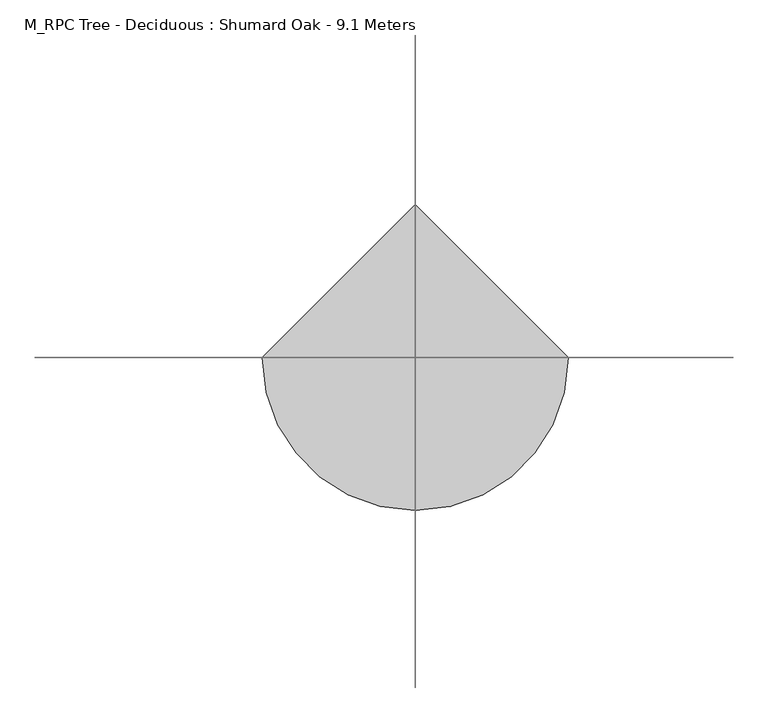
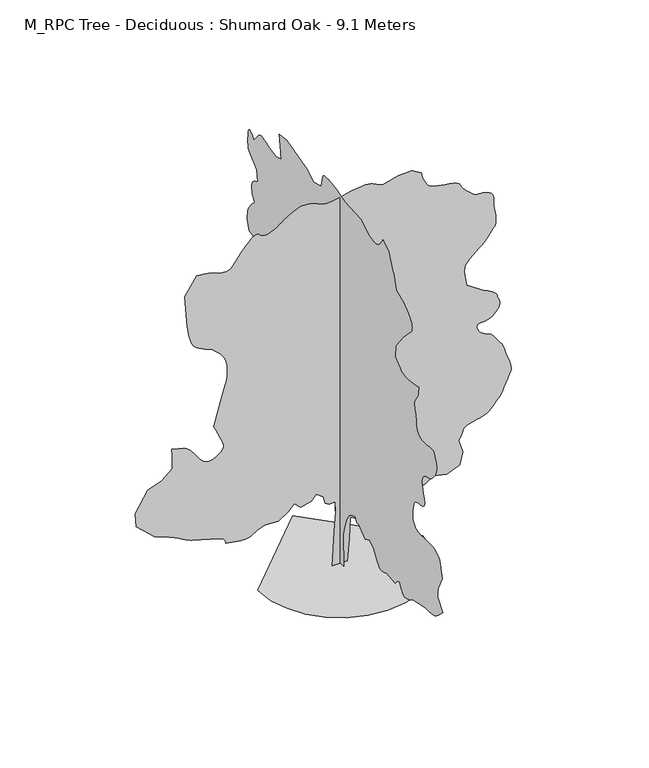
"""IFC4 building model written with IfcOpenShell, lengths in millimetres: geographic element geometry, M_RPC Tree - Deciduous : Shumard Oak - 9.1 Meters."""

from ifc_helpers import new_model, si_unit, origin, place, context, project, spatial, triangles, source, transform, mapped, element, save


def m_rpc_tree_deciduous_shumard_oak_9_1_meters_af7070b5(model_context):
    return source(origin(), model_context, "Body", "Tessellation", [
        triangles([(-0.0016876, 163.832478, 0.0085608), (-0.0016876, -150.8808976, 0.0085608), (-0.0016876, -123.5141451, 779.9515205), (-0.0016876, -178.2471505, 1012.5653744), (-0.0016876, -260.3461545, 1231.4963425), (-0.0016876, -356.128771, 1382.0105564), (-0.0016876, -465.5942914, 1450.4273106), (-0.0016876, -602.4255106, 1505.1588535), (-0.0016876, -657.1595243, 1382.0105564), (-0.0016876, -752.9421953, 1409.3761826), (-0.0016876, -862.4076794, 1299.9107712), (-0.0016876, -1012.9218206, 1204.1281002), (-0.0016876, -1190.8042042, 1286.2278854), (-0.0016876, -1355.0011585, 1176.7623287), (-0.0016876, -1464.4667152, 985.1971321), (-0.0016876, -1490.9552147, 947.379019), (-0.0016876, -1518.0429508, 911.3555637), (-0.0016876, -1546.3262535, 878.9241858), (-0.0016876, -1576.4068302, 851.8769268), (-0.0016876, -1608.8786854, 832.0111336), (-0.0016876, -1644.3435265, 821.1189205), (-0.0016876, -1683.3976833, 821.0001051), (-0.0016876, -1720.8568794, 827.6608177), (-0.0016876, -1751.8549873, 835.7598146), (-0.0016876, -1777.4638893, 845.0544508), (-0.0016876, -1798.7681122, 855.307168), (-0.0016876, -1816.8391022, 866.2777193), (-0.0016876, -1832.7565899, 877.7285465), (-0.0016876, -1847.5972538, 889.4144611), (-0.0016876, -2203.3594048, 848.3658766), (-0.0016876, -2238.4248516, 888.8583904), (-0.0016876, -2272.772319, 925.9965305), (-0.0016876, -2305.6839729, 956.4360243), (-0.0016876, -2336.4419792, 976.8200272), (-0.0016876, -2364.3258877, 983.8017958), (-0.0016876, -2388.6204803, 974.0293545), (-0.0016876, -2408.6076324, 944.1484749), (-0.0016876, -2428.6731228, 901.1838009), (-0.0016876, -2453.5261116, 856.783386), (-0.0016876, -2482.9269333, 814.5365461), (-0.0016876, -2516.6373756, 778.0354311), (-0.0016876, -2554.4225693, 750.8693567), (-0.0016876, -2596.0299133, 736.6278568), (-0.0016876, -2641.2265732, 738.9003199), (-0.0016876, -2686.5496788, 752.2242886), (-0.0016876, -2728.9909836, 768.419739), (-0.0016876, -2769.0309814, 787.0115547), (-0.0016876, -2807.1751648, 807.5169165), (-0.0016876, -2843.8787384, 829.4580917), (-0.0016876, -2879.6213242, 852.3546593), (-0.0016876, -2914.8839973, 875.7315754), (-0.0016876, -3407.4722443, 971.5142464), (-0.0016876, -3468.9225632, 971.6355326), (-0.0016876, -3529.5136322, 972.4722548), (-0.0016876, -3588.4361984, 974.7472612), (-0.0016876, -3644.831012, 979.1733719), (-0.0016876, -3697.8891106, 986.4761238), (-0.0016876, -3746.7762428, 997.3657934), (-0.0016876, -3790.6078697, 1012.5653744), (-0.0016876, -3832.8471519, 1034.5444107), (-0.0016876, -3877.2601387, 1064.4252903), (-0.0016876, -3923.4427849, 1100.8885443), (-0.0016876, -3971.09133, 1142.6145584), (-0.0016876, -4019.8017288, 1188.2915668), (-0.0016876, -4069.2199333, 1236.6024261), (-0.0016876, -4119.0171844, 1286.2278854), (-0.0016876, -3927.4367271, 1505.1588535), (-0.0016876, -3921.7492836, 1546.169577), (-0.0016876, -3916.9969574, 1586.9400536), (-0.0016876, -3914.1657349, 1627.2304722), (-0.0016876, -3914.191024, 1666.8053822), (-0.0016876, -3918.0585205, 1705.4197403), (-0.0016876, -3926.7289215, 1742.8410027), (-0.0016876, -3941.1373444, 1778.8238354), (-0.0016876, -4091.6412392, 2093.5374744), (-0.0016876, -3995.8636551, 2476.6653969), (-0.0016876, -3988.3562645, 2487.236554), (-0.0016876, -3966.0105354, 2514.3244354), (-0.0016876, -3929.0796501, 2550.9846977), (-0.0016876, -3877.7659218, 2590.2916008), (-0.0016876, -3812.3469498, 2625.2760933), (-0.0016876, -3733.0503365, 2649.0121445), (-0.0016876, -3640.1039749, 2654.5478531), (-0.0016876, -3536.5408195, 2650.2507317), (-0.0016876, -3429.8685516, 2648.5569397), (-0.0016876, -3327.0132019, 2648.8098312), (-0.0016876, -3234.9513794, 2650.2507317), (-0.0016876, -3160.5841164, 2652.1465462), (-0.0016876, -3110.8880219, 2653.8400475), (-0.0016876, -3092.7638374, 2654.5478531), (-0.0016876, -3082.1470436, 2661.7773537), (-0.0016876, -3054.7966782, 2682.1511101), (-0.0016876, -3017.3600098, 2713.7991783), (-0.0016876, -2976.5869171, 2754.7490044), (-0.0016876, -2939.1758286, 2803.1559334), (-0.0016876, -2911.8251724, 2857.0482834), (-0.0016876, -2901.2086693, 2914.5299492), (-0.0016876, -2903.2056404, 2971.9613274), (-0.0016876, -2908.7919273, 3027.268998), (-0.0016876, -2917.3611717, 3080.7567215), (-0.0016876, -2928.331723, 3132.8291245), (-0.0016876, -2941.0969322, 3183.8143845), (-0.0016876, -2955.050441, 3234.0665497), (-0.0016876, -2969.6103081, 3283.9649574), (-0.0016876, -2981.5921349, 3298.5756935), (-0.0016876, -2994.9892822, 3312.8070923), (-0.0016876, -3011.2682304, 3326.3306854), (-0.0016876, -3031.8443001, 3338.7927155), (-0.0016876, -3058.1836807, 3349.7885559), (-0.0016876, -3091.7019836, 3359.0147369), (-0.0016876, -3133.8148201, 3366.0672134), (-0.0016876, -3184.7497925, 3370.3899147), (-0.0016876, -3239.7795731, 3375.4201309), (-0.0016876, -3292.8629608, 3386.8961746), (-0.0016876, -3338.0596207, 3410.5816475), (-0.0016876, -3369.3786392, 3452.2392792), (-0.0016876, -3380.8296844, 3517.5823837), (-0.0016876, -3366.4212616, 3612.3742722), (-0.0016876, -3336.9471886, 3719.5267433), (-0.0016876, -3309.8747131, 3817.8067909), (-0.0016876, -3289.2480652, 3906.78479), (-0.0016876, -3279.1370544, 3985.9293777), (-0.0016876, -3283.6617783, 4054.7862213), (-0.0016876, -3306.841468, 4112.8745361), (-0.0016876, -3352.7459335, 4159.6891205), (-0.0016876, -3409.0395905, 4192.4996178), (-0.0016876, -3461.2634377, 4212.5954842), (-0.0016876, -3510.3528831, 4225.7653198), (-0.0016876, -3557.3192024, 4237.7215668), (-0.0016876, -3603.071933, 4254.2534065), (-0.0016876, -3648.5973518, 4281.0477013), (-0.0016876, -3694.8302856, 4323.8936325), (-0.0016876, -3741.9480492, 4378.3926315), (-0.0016876, -3786.8921082, 4436.4809464), (-0.0016876, -3825.8705429, 4498.3861794), (-0.0016876, -3855.0411461, 4564.3612221), (-0.0016876, -3870.5617104, 4634.6589661), (-0.0016876, -3868.5900284, 4709.5064323), (-0.0016876, -3845.3344711, 4789.131514), (-0.0016876, -3817.2507202, 4864.434185), (-0.0016876, -3798.2669952, 4925.8842133), (-0.0016876, -3780.7244614, 4972.9516891), (-0.0016876, -3756.9378319, 5005.1811172), (-0.0016876, -3719.2738518, 5022.091713), (-0.0016876, -3660.0733955, 5023.2038544), (-0.0016876, -3571.677047, 5008.0623367), (-0.0016876, -3466.799437, 4991.303476), (-0.0016876, -3365.9916367, 4987.9414719), (-0.0016876, -3273.3231651, 4998.0019043), (-0.0016876, -3192.8638321, 5021.4597748), (-0.0016876, -3128.6581581, 5058.314502), (-0.0016876, -3084.8265312, 5108.592247), (-0.0016876, -3065.3878922, 5172.2418503), (-0.0016876, -3058.7397514, 5240.2388626), (-0.0016876, -3050.651001, 5303.8884659), (-0.0016876, -3041.3486618, 5363.9737518), (-0.0016876, -3031.0859161, 5421.1778183), (-0.0016876, -3020.1153648, 5476.2325974), (-0.0016876, -3008.6646103, 5529.8467667), (-0.0016876, -2996.9862534, 5582.753421), (-0.0016876, -2985.6110756, 5620.8976044), (-0.0016876, -2976.4101837, 5659.1429443), (-0.0016876, -2971.4808334, 5697.6405945), (-0.0016876, -2973.0481796, 5736.4928741), (-0.0016876, -2983.2097687, 5775.8247757), (-0.0016876, -3004.1651756, 5815.7641983), (-0.0016876, -3038.037236, 5856.4105545), (-0.0016876, -3074.2603157, 5906.2836731), (-0.0016876, -3101.6109718, 5968.8211349), (-0.0016876, -3121.3277916, 6036.6414139), (-0.0016876, -3134.573204, 6102.3129868), (-0.0016876, -3142.5610886, 6158.4043304), (-0.0016876, -3146.4538742, 6197.4839218), (-0.0016876, -3147.4901482, 6212.1702347), (-0.0016876, -3127.3184143, 6207.6710907), (-0.0016876, -3073.1481743, 6196.2200455), (-0.0016876, -2994.5596573, 6180.9523727), (-0.0016876, -2901.1328018, 6164.9516052), (-0.0016876, -2802.4231293, 6151.3518539), (-0.0016876, -2708.0355766, 6143.2378143), (-0.0016876, -2627.525956, 6143.7685959), (-0.0016876, -2559.5539421, 6155.5986877), (-0.0016876, -2495.8918396, 6178.2223068), (-0.0016876, -2435.8141113, 6209.8197968), (-0.0016876, -2378.6078648, 6248.5959183), (-0.0016876, -2323.5554111, 6292.7560135), (-0.0016876, -2269.9410965, 6340.5060059), (-0.0016876, -2217.0422905, 6390.0500748), (-0.0016876, -2230.7251762, 6677.4081161), (-0.0016876, -2531.7483719, 7060.5440323), (-0.0016876, -2873.832724, 7416.3037125), (-0.0016876, -2879.1916992, 7460.4132294), (-0.0016876, -2881.4159821, 7505.3825775), (-0.0016876, -2877.4223305, 7552.0198471), (-0.0016876, -2864.1007599, 7601.1598709), (-0.0016876, -2838.3427391, 7653.6618988), (-0.0016876, -2797.0135757, 7710.3346024), (-0.0016876, -2737.0041573, 7772.0633926), (-0.0016876, -2666.6305458, 7831.390004), (-0.0016876, -2596.257225, 7881.3642792), (-0.0016876, -2525.8914619, 7923.5785629), (-0.0016876, -2455.5207573, 7959.5484604), (-0.0016876, -2385.149762, 7990.8680603), (-0.0016876, -2314.778912, 8019.0779663), (-0.0016876, -2244.408062, 8045.7205261), (-0.0016876, -2223.8648392, 8115.8918243), (-0.0016876, -2203.2001122, 8184.874823), (-0.0016876, -2182.2954288, 8251.4568054), (-0.0016876, -2161.0317558, 8314.4488907), (-0.0016876, -2139.2903503, 8372.6383621), (-0.0016876, -2116.9523243, 8424.8625), (-0.0016876, -2093.8939934, 8469.9074249), (-0.0016876, -2068.3228798, 8519.0224503), (-0.0016876, -2040.1179153, 8579.6129379), (-0.0016876, -2011.6753201, 8644.7537292), (-0.0016876, -1985.3865177, 8707.4935043), (-0.0016876, -1963.6449669, 8760.9309402), (-0.0016876, -1948.8448528, 8798.0635574), (-0.0016876, -1943.3773087, 8811.991777), (-0.0016876, -1710.7634548, 8948.8206345), (-0.0016876, -1698.8372932, 8925.2366089), (-0.0016876, -1685.7130943, 8900.944487), (-0.0016876, -1670.1925301, 8875.2117554), (-0.0016876, -1651.0851208, 8847.3303177), (-0.0016876, -1627.1899223, 8816.5670792), (-0.0016876, -1597.3090427, 8782.2145248), (-0.0016876, -1560.2492409, 8743.5645584), (-0.0016876, -1515.6086517, 8710.0968338), (-0.0016876, -1464.5071198, 8690.2794388), (-0.0016876, -1408.0188526, 8681.811351), (-0.0016876, -1347.2231449, 8682.4432892), (-0.0016876, -1283.194495, 8689.8998108), (-0.0016876, -1217.0121975, 8701.9072174), (-0.0016876, -1149.7530035, 8716.1889038), (-0.0016876, -848.7222502, 8921.4449799), (-0.0016876, -191.9302724, 8962.4959625), (-0.0016876, -107.0787747, 8985.8270966), (-0.0016876, -23.3040554, 9008.4507156), (-0.0016876, 58.316385, 9029.633725), (-0.0016876, 136.7053639, 9048.6680283), (-0.0016876, 210.7859892, 9064.8205307), (-0.0016876, 279.4814328, 9077.3837173), (-0.0016876, 341.7128632, 9085.6494919), (-0.0016876, 403.0696558, 9091.9432938), (-0.0016876, 467.2954594, 9097.5295807), (-0.0016876, 530.565798, 9100.0073364), (-0.0016876, 589.0485291, 9096.9738007), (-0.0016876, 638.9140537, 9086.053537), (-0.0016876, 676.3327726, 9064.8205307), (-0.0016876, 697.4776302, 9030.9225998), (-0.0016876, 765.8919863, 8757.2398865), (-0.0016876, 1066.9227396, 8675.1629196), (-0.0016876, 1340.5877941, 8839.3424332), (-0.0016876, 1682.6672047, 8921.4449799), (-0.0016876, 2134.2120266, 9058.2732559), (-0.0016876, 2435.2427799, 9017.2222733), (-0.0016876, 2407.8745377, 8757.2398865), (-0.0016876, 2353.1429947, 8456.2320969), (-0.0016876, 2572.0665504, 8387.8048782), (-0.0016876, 2790.9973732, 8428.8564423), (-0.0016876, 2875.6526711, 8460.6556641), (-0.0016876, 2958.0331078, 8489.6998215), (-0.0016876, 3035.8635315, 8513.2332687), (-0.0016876, 3106.8687904, 8528.5015228), (-0.0016876, 3168.7993126, 8532.7733551), (-0.0016876, 3219.3296585, 8523.2687027), (-0.0016876, 3256.2352547, 8497.2580811), (-0.0016876, 3461.49104, 8250.9766022), (-0.0016876, 3508.1286003, 8305.5005997), (-0.0016876, 3553.0723686, 8352.9721207), (-0.0016876, 3594.6797127, 8386.33927), (-0.0016876, 3631.2568405, 8398.4978302), (-0.0016876, 3661.1349586, 8382.4209045), (-0.0016876, 3682.6464363, 8331.0310181), (-0.0016876, 3694.0971909, 8237.2756943), (-0.0016876, 3697.5603516, 8133.1564682), (-0.0016876, 3696.7261002, 8052.7480042), (-0.0016876, 3692.302533, 7992.0557785), (-0.0016876, 3684.9971649, 7947.187587), (-0.0016876, 3675.5433815, 7914.1494873), (-0.0016876, 3664.6486977, 7889.0236954), (-0.0016876, 3653.0462082, 7867.840686), (-0.0016876, 3338.3375107, 7607.8588806), (-0.0016876, 3310.9618561, 7320.5258377), (-0.0016876, 3354.7176155, 7302.679834), (-0.0016876, 3397.1842094, 7283.418219), (-0.0016876, 3436.9968956, 7261.2748032), (-0.0016876, 3472.840638, 7234.8339752), (-0.0016876, 3503.4521416, 7202.630127), (-0.0016876, 3527.4660828, 7163.2476471), (-0.0016876, 3543.5680069, 7115.270343), (-0.0016876, 3549.7359444, 7062.4904251), (-0.0016876, 3545.8178696, 7009.7099258), (-0.0016876, 3533.5328636, 6956.9300079), (-0.0016876, 3514.5491386, 6904.15009), (-0.0016876, 3490.5351974, 6851.3701721), (-0.0016876, 3463.1592522, 6798.5902542), (-0.0016876, 3434.1150948, 6745.8097549), (-0.0016876, 3477.9217232, 6701.8263931), (-0.0016876, 3520.6412086, 6657.6912964), (-0.0016876, 3561.2119881, 6613.3288879), (-0.0016876, 3598.5472092, 6568.6124313), (-0.0016876, 3631.5853088, 6523.4157715), (-0.0016876, 3659.2391441, 6477.6127533), (-0.0016876, 3680.4221535, 6431.1016388), (-0.0016876, 3695.6139587, 6385.7782425), (-0.0016876, 3706.5086426, 6343.336647), (-0.0016876, 3713.8140106, 6303.2966492), (-0.0016876, 3718.2375778, 6265.1524658), (-0.0016876, 3720.5127296, 6228.4494736), (-0.0016876, 3721.3466904, 6192.7063065), (-0.0016876, 3721.4731361, 6157.443924), (-0.0016876, 3639.3708801, 5924.8377731), (-0.0016876, 3601.2772751, 5918.7207047), (-0.0016876, 3563.2848267, 5911.1874435), (-0.0016876, 3525.5449791, 5900.772963), (-0.0016876, 3488.1591797, 5886.0616516), (-0.0016876, 3451.2788727, 5865.5867386), (-0.0016876, 3414.9546364, 5837.9326126), (-0.0016876, 3379.388784, 5801.6842438), (-0.0016876, 3346.9826225, 5758.63629), (-0.0016876, 3319.6319664, 5711.998439), (-0.0016876, 3296.4522766, 5662.378212), (-0.0016876, 3276.6093018, 5610.3563873), (-0.0016876, 3259.2937889, 5556.5399048), (-0.0016876, 3243.6723587, 5501.535704), (-0.0016876, 3228.8593094, 5445.9245636), (-0.0016876, 3196.8324852, 5401.9156219), (-0.0016876, 3166.119825, 5357.806105), (-0.0016876, 3138.0363647, 5313.4436966), (-0.0016876, 3113.8959778, 5268.7016602), (-0.0016876, 3095.0386986, 5223.5050003), (-0.0016876, 3082.7284035, 5177.7269806), (-0.0016876, 3078.3554146, 5131.2158661), (-0.0016876, 3092.0307426, 4761.7555687), (-0.0016876, 3124.0575668, 4758.5200104), (-0.0016876, 3154.7955162, 4753.4897942), (-0.0016876, 3182.8792671, 4744.8952606), (-0.0016876, 3206.9940742, 4730.8914642), (-0.0016876, 3225.8766426, 4709.7087456), (-0.0016876, 3238.1616486, 4679.5268669), (-0.0016876, 3242.5599266, 4638.60233), (-0.0016876, 3241.3466286, 4591.3075424), (-0.0016876, 3238.0099136, 4543.2543709), (-0.0016876, 3232.8532516, 4494.6451286), (-0.0016876, 3226.2809784, 4445.530394), (-0.0016876, 3218.6218529, 4396.0616112), (-0.0016876, 3210.2296326, 4346.3655167), (-0.0016876, 3201.5089439, 4296.5176872), (-0.0016876, 3187.8083267, 4022.8602631), (-0.0016876, 3447.7904228, 4036.5608803), (-0.0016876, 3735.1484642, 4091.2874817), (-0.0016876, 3796.2953133, 4070.5849663), (-0.0016876, 3854.9399895, 4048.7953079), (-0.0016876, 3908.5541588, 4024.8572342), (-0.0016876, 3954.6356483, 3997.6836021), (-0.0016876, 3990.6564148, 3966.2128487), (-0.0016876, 4014.1142853, 3929.3578308), (-0.0016876, 4022.4812164, 3886.0316963), (-0.0016876, 4020.1051987, 3831.1536507), (-0.0016876, 4013.4064796, 3761.8924713), (-0.0016876, 4003.0931557, 3680.6747543), (-0.0016876, 3989.9486092, 3589.8768082), (-0.0016876, 3974.6303581, 3491.9002304), (-0.0016876, 3957.8712067, 3389.1207481), (-0.0016876, 3940.4042496, 3283.9649574), (-0.0016876, 3817.2507202, 2955.5812225), (-0.0016876, 3749.986512, 2917.841375), (-0.0016876, 3683.809156, 2882.3766792), (-0.0016876, 3619.7805061, 2851.4619965), (-0.0016876, 3558.9874146, 2827.3721878), (-0.0016876, 3502.4917351, 2812.3571159), (-0.0016876, 3451.3800293, 2808.742511), (-0.0016876, 3406.7394402, 2818.7523651), (-0.0016876, 3023.6291039, 2982.9318787), (-0.0016876, 2640.4934784, 2859.8036385), (-0.0016876, 2366.8258804, 2668.2231812), (-0.0016876, 2093.1633694, 2257.7344288), (-0.0016876, 2066.6748699, 2216.9235477), (-0.0016876, 2039.5871338, 2177.5508057), (-0.0016876, 2011.301215, 2141.0496906), (-0.0016876, 1981.2232544, 2108.8558708), (-0.0016876, 1948.7513992, 2082.4076305), (-0.0016876, 1913.2865582, 2063.1384579), (-0.0016876, 1874.2324013, 2052.4863464), (-0.0016876, 1835.2565826, 2048.9374352), (-0.0016876, 1798.6745132, 2049.2154705), (-0.0016876, 1761.8523422, 2052.1273567), (-0.0016876, 1722.1611603, 2056.4752018), (-0.0016876, 1676.9618843, 2061.0631485), (-0.0016876, 1623.6257504, 2064.6930141), (-0.0016876, 1559.5187622, 2066.1692322), (-0.0016876, 1490.742873, 2060.9848103), (-0.0016876, 1424.841227, 2046.4627316), (-0.0016876, 1361.330714, 2024.1626392), (-0.0016876, 1299.7363632, 1995.6390896), (-0.0016876, 1239.5776806, 1962.4494003), (-0.0016876, 1180.377079, 1926.1479824), (-0.0016876, 1121.6567533, 1888.2893921), (-0.0016876, 1039.5569681, 1655.6755383), (-0.0016876, 806.9431143, 1395.6932968), (-0.0016876, 774.8277054, 1360.9060307), (-0.0016876, 737.6895653, 1326.8392147), (-0.0016876, 696.3603292, 1293.368874), (-0.0016876, 651.6793356, 1260.3787365), (-0.0016876, 604.4856683, 1227.745118), (-0.0016876, 555.6186293, 1195.3541445), (-0.0016876, 505.912361, 1163.0795156), (-0.0016876, 423.8126121, 1450.4273106), (-0.0016876, 286.9813565, 1641.9900364), (-0.0016876, 232.2486145, 1518.8417393), (-0.0016876, 191.1987401, 1327.2790134), (-0.0016876, 177.5158543, 985.1971321), (-0.0016876, 150.1493561, 506.286466), (169.54274, 0.0004339, 0.0216695), (-186.21952, 0.0004339, 0.0216695), (-131.4872685, 0.0003851, 821.0127497), (-104.1207612, 0.0003564, 1299.9234158), (-117.8038922, 0.0003417, 1546.2226261), (-254.6358926, 0.0003425, 1532.5397404), (-350.4185091, 0.0003394, 1587.2712833), (-391.46713, 0.0003287, 1765.1535942), (-555.6666641, 0.0003221, 1874.6191509), (-665.1321482, 0.0003294, 1751.4707085), (-911.4288877, 0.0003336, 1683.0539543), (-1061.9455725, 0.0003255, 1819.8851372), (-1212.4596411, 0.0003344, 1669.3710686), (-1431.3906818, 0.0003425, 1532.5397404), (-1759.7872066, 0.0003417, 1546.2226261), (-1923.984161, 0.0003459, 1477.8057266), (-1959.2517757, 0.0003475, 1451.5952625), (-1994.9945068, 0.000349, 1426.464093), (-2031.695319, 0.0003503, 1403.4865711), (-2069.8345608, 0.0003514, 1383.7395206), (-2109.8872032, 0.0003524, 1368.2997654), (-2152.3311241, 0.000353, 1358.2468906), (-2197.6491428, 0.0003532, 1354.6574295), (-2248.1541996, 0.0003532, 1356.2523903), (-2305.1201992, 0.000353, 1360.7215942), (-2367.4704632, 0.0003524, 1367.5819313), (-2434.1331093, 0.0003519, 1376.3584305), (-2504.0236107, 0.0003514, 1386.5705978), (-2576.060202, 0.0003506, 1397.7408463), (-2649.1888779, 0.0003501, 1409.3914433), (-2652.5761711, 0.0003483, 1438.632827), (-2658.7188194, 0.0003464, 1467.3938622), (-2670.3718872, 0.0003449, 1495.1994324), (-2690.2907295, 0.0003433, 1521.5691891), (-2721.2054123, 0.0003417, 1546.022929), (-2765.8712906, 0.0003404, 1568.0829197), (-2827.068718, 0.0003394, 1587.2712833), (-3429.1354568, 0.0003287, 1765.1535942), (-3478.2754807, 0.0003279, 1780.7500259), (-3530.7775085, 0.0003266, 1802.8124874), (-3584.9477486, 0.000325, 1829.419875), (-3639.1179886, 0.0003232, 1858.6612587), (-3691.6200165, 0.0003213, 1888.6204765), (-3740.7853294, 0.0003198, 1917.3841278), (-3784.895137, 0.0003182, 1943.0335796), (-3832.3416595, 0.0003166, 1967.6868713), (-3891.2642258, 0.0003151, 1994.4965721), (-3959.741732, 0.0003132, 2023.09846), (-4035.903653, 0.0003117, 2053.1384869), (-4117.8038864, 0.0003098, 2084.2554829), (-4203.5207474, 0.0003078, 2116.0878422), (-4291.1842918, 0.0003059, 2148.281662), (-4715.3456108, 0.0002822, 2545.0949409), (-4742.7215561, 0.0002626, 2873.4789665), (-4455.3635147, 0.0002349, 3338.716848), (-4126.9794891, 0.0002276, 3461.8700867), (-3880.6727211, 0.0002153, 3667.125872), (-3880.6727211, 0.0001967, 3981.8345695), (-3894.3733383, 0.0001868, 4146.0390816), (-3607.0152969, 0.000191, 4077.6121536), (-3574.6597137, 0.0001923, 4056.7579033), (-3541.7227707, 0.0001936, 4033.8561035), (-3507.5725296, 0.0001952, 4006.8847847), (-3471.6273399, 0.000197, 3973.8213959), (-3433.281134, 0.0001996, 3932.5933891), (-3391.95168, 0.0002027, 3881.2287918), (-3347.0332008, 0.0002064, 3817.6297668), (-3301.507782, 0.0002103, 3750.8207634), (-3257.6761551, 0.000214, 3691.8981972), (-3213.8445282, 0.0002168, 3642.0756569), (-3168.3191093, 0.0002192, 3602.5411514), (-3119.4572662, 0.000221, 3574.4826897), (-3065.5649162, 0.0002218, 3559.1391495), (-3004.9488487, 0.0002218, 3557.6476707), (-2938.6956253, 0.000221, 3572.8144775), (-2871.9621986, 0.0002192, 3603.5268471), (-2809.2732925, 0.0002166, 3645.2606369), (-2755.2294983, 0.0002137, 3693.4399635), (-2714.3299599, 0.0002108, 3743.5406845), (-2691.1502701, 0.000208, 3791.0124962), (-2690.2401512, 0.0002056, 3831.3050949), (-2706.3673645, 0.000203, 3874.8841209), (-2730.3813057, 0.0001996, 3933.5285065), (-2760.9675201, 0.0001952, 4004.7360786), (-2796.8365517, 0.0001905, 4085.9790848), (-2836.6492378, 0.0001852, 4174.7797691), (-2879.0905426, 0.0001795, 4268.6109604), (-2922.846302, 0.0001737, 4364.970195), (-2731.2914246, 0.0001322, 5062.7886475), (-2705.078199, 0.0001275, 5141.7820816), (-2679.9521164, 0.0001228, 5219.6883728), (-2656.9744492, 0.0001183, 5295.4459579), (-2637.2326309, 0.0001139, 5367.9932739), (-2621.7879341, 0.00011, 5436.1925995), (-2611.727211, 0.0001061, 5499.0329498), (-2608.1378952, 0.0001029, 5555.4027649), (-2609.0730125, 9.95e-05, 5610.4069656), (-2612.1318375, 9.61e-05, 5668.7737518), (-2617.8445702, 9.25e-05, 5728.8084595), (-2626.6664154, 8.88e-05, 5788.8431671), (-2639.052578, 8.54e-05, 5847.2093719), (-2655.5338394, 8.2e-05, 5902.2141541), (-2676.5648232, 7.92e-05, 5952.2134277), (-2703.6120094, 7.63e-05, 5998.7245422), (-2737.1303123, 7.37e-05, 6044.5281418), (-2776.0075905, 7.11e-05, 6089.7248016), (-2819.2075699, 6.82e-05, 6134.4412582), (-2865.6428169, 6.56e-05, 6178.8036667), (-2914.2520592, 6.3e-05, 6222.9131836), (-2963.8975754, 6.03e-05, 6266.9221252), (-3042.7389839, 5.85e-05, 6299.2271301), (-3119.532843, 5.64e-05, 6331.9111816), (-3192.2571831, 5.46e-05, 6365.3033295), (-3258.864164, 5.25e-05, 6399.7570404), (-3317.3571053, 5.04e-05, 6435.6769409), (-3365.6628777, 4.81e-05, 6473.3659195), (-3401.7595116, 4.57e-05, 6513.229184), (-3430.1717308, 4.26e-05, 6566.36315), (-3456.4355347, 3.84e-05, 6638.4046829), (-3480.0448494, 3.34e-05, 6721.4676361), (-3500.5453423, 2.82e-05, 6807.6397018), (-3517.455938, 2.33e-05, 6889.0085724), (-3530.2973053, 1.93e-05, 6957.713681), (-3538.6136581, 1.65e-05, 7005.8171402), (-3593.3399689, -2.93e-05, 7772.0633926), (-3319.6572556, -5.46e-05, 8196.2497101), (-3246.5538689, -5.41e-05, 8187.3519974), (-3174.5120453, -5.36e-05, 8177.8729248), (-3104.6192184, -5.28e-05, 8167.1805542), (-3037.9363701, -5.2e-05, 8154.6935257), (-2975.6012215, -5.12e-05, 8139.8048996), (-2918.6250481, -5.02e-05, 8121.933316), (-2868.1199913, -4.89e-05, 8100.4724167), (-2816.7806831, -4.75e-05, 8079.7190323), (-2758.970549, -4.68e-05, 8065.2100342), (-2698.3039032, -4.62e-05, 8058.1069794), (-2638.3447723, -4.65e-05, 8059.6237473), (-2582.6830536, -4.7e-05, 8070.948056), (-2534.9333519, -4.83e-05, 8093.2937851), (-2498.6774254, -5.04e-05, 8127.8230728), (-2279.7464573, -6.77e-05, 8415.1811142), (-2221.2636898, -7.16e-05, 8482.1165634), (-2163.7390034, -7.55e-05, 8546.0696365), (-2108.1303337, -7.89e-05, 8604.0312149), (-2055.3908203, -8.18e-05, 8653.0195038), (-2006.4833405, -8.41e-05, 8690.0515457), (-1962.3608883, -8.54e-05, 8712.0938049), (-1923.984161, -8.57e-05, 8716.2144836), (-1893.1072666, -8.49e-05, 8705.9261581), (-1867.9760971, -8.39e-05, 8689.1672974), (-1844.2807411, -8.28e-05, 8669.5260544), (-1817.7112873, -8.18e-05, 8650.6184875), (-1783.9629112, -8.07e-05, 8636.0333313), (-1738.7232307, -8.05e-05, 8629.3343216), (-1677.6874214, -8.07e-05, 8634.111937), (-1604.7635296, -8.2e-05, 8654.8653214), (-1529.9260918, -8.39e-05, 8689.4957657), (-1457.9576649, -8.65e-05, 8731.7600464), (-1393.6509796, -8.91e-05, 8775.4905167), (-1341.7909184, -9.14e-05, 8814.4183731), (-1307.1629448, -9.3e-05, 8842.3503891), (-1294.5568829, -9.38e-05, 8853.0427597), (-1279.1197437, -9.43e-05, 8862.9264587), (-1238.0710865, -9.59e-05, 8888.6341919), (-1179.3078129, -9.8e-05, 8924.1238861), (-1110.7316935, -0.0001003, 8963.456369), (-1040.242028, -0.0001024, 9000.6401459), (-975.7356457, -0.0001042, 9029.6843033), (-925.1117735, -0.000105, 9044.5979279), (-877.0814203, -0.0001053, 9047.9093536), (-817.3222046, -0.0001053, 9045.9629608), (-749.1858839, -0.0001048, 9038.5064392), (-676.0218178, -0.000104, 9025.3113144), (-601.18438, -0.0001029, 9006.1252762), (-528.0203138, -0.0001014, 8980.6960144), (-459.8840295, -9.95e-05, 8948.8206345), (-387.3999364, -9.8e-05, 8922.8094315), (-300.5530027, -9.74e-05, 8913.3303589), (-201.7383039, -9.74e-05, 8917.6021912), (-93.349898, -9.85e-05, 8932.8704453), (22.2192084, -9.98e-05, 8956.4038925), (142.5753726, -0.0001016, 8985.4480499), (265.3258651, -0.0001035, 9017.2472717), (350.0570486, -0.0001042, 9028.7238968), (432.9935197, -0.0001048, 9038.7843292), (512.3404933, -0.0001053, 9045.9629608), (586.3008044, -0.0001053, 9048.8447617), (653.0822296, -0.0001053, 9045.9629608), (710.8874949, -0.0001045, 9035.9025284), (757.9193624, -0.0001035, 9017.2472717), (797.3729862, -0.0001022, 8995.3823273), (833.9549829, -0.0001011, 8976.3986023), (868.1432304, -0.0001001, 8959.7908951), (900.4153885, -9.93e-05, 8945.1045822), (931.2542765, -9.85e-05, 8931.8844589), (961.1326126, -9.77e-05, 8919.5741638), (990.5332163, -9.69e-05, 8907.7696518), (1346.2954399, -0.0001027, 9003.5469452), (1661.009079, -0.0001035, 9017.2472717), (1879.9426632, -9.61e-05, 8894.0943237), (1883.0923256, -9.43e-05, 8861.7131607), (1887.5613842, -9.22e-05, 8828.4727478), (1894.6619682, -9.01e-05, 8793.5644135), (1905.7133286, -8.8e-05, 8756.1533249), (1922.0275944, -8.54e-05, 8715.3802322), (1944.926778, -8.28e-05, 8670.4108841), (1975.722718, -7.99e-05, 8620.4366089), (2006.6804214, -7.71e-05, 8574.6835876), (2032.3702778, -7.52e-05, 8540.8873947), (2057.5824017, -7.37e-05, 8515.9633347), (2087.1042915, -7.24e-05, 8496.752298), (2125.7186497, -7.16e-05, 8480.1957504), (2178.2180614, -7.05e-05, 8463.1834167), (2249.3878452, -6.92e-05, 8442.5567688), (2337.1118511, -6.82e-05, 8422.6882141), (2431.7771484, -6.71e-05, 8407.5978561), (2526.9201782, -6.64e-05, 8393.7202148), (2616.0752014, -6.53e-05, 8377.440976), (2692.7931931, -6.4e-05, 8355.171405), (2750.6036179, -6.22e-05, 8323.3466034), (2783.0350685, -5.96e-05, 8278.3522568), (2806.9984314, -5.64e-05, 8225.976384), (2842.4631271, -5.33e-05, 8174.3086075), (2887.5080521, -5.02e-05, 8123.2477707), (2940.2123932, -4.73e-05, 8072.6665558), (2998.6544655, -4.42e-05, 8022.4399704), (3060.9137466, -4.13e-05, 7972.4656952), (3125.1194206, -3.81e-05, 7922.5925766), (3215.3862946, -3.76e-05, 7913.3408157), (3301.9626961, -3.71e-05, 7901.3339905), (3381.1075745, -3.61e-05, 7883.8164551), (3449.1301666, -3.45e-05, 7858.0331451), (3502.2894218, -3.21e-05, 7821.2539948), (3536.9198662, -2.93e-05, 7770.7233582), (3549.2807396, -2.53e-05, 7703.6617538), (3550.0897018, -2.12e-05, 7633.7939255), (3552.3142754, -1.75e-05, 7575.4527191), (3555.7518562, -1.46e-05, 7526.6411636), (3560.1501343, -1.23e-05, 7485.5140228), (3565.2565086, -1.02e-05, 7450.1504837), (3570.8427956, -8.1e-06, 7418.5785736), (3576.6566849, -6.5e-06, 7388.9530563), (3588.1074394, -2.4e-06, 7318.807338), (3597.8899818, 1.8e-06, 7250.1272278), (3604.3105202, 5.7e-06, 7184.30392), (3605.7008423, 9.4e-06, 7122.7780243), (3600.3924454, 1.28e-05, 7067.0151489), (3586.7171173, 1.57e-05, 7018.4309052), (3562.9813568, 1.8e-05, 6978.4414856), (3532.6986122, 2.04e-05, 6940.1205688), (3500.01427, 2.3e-05, 6896.2633621), (3464.2463951, 2.59e-05, 6848.1093246), (3424.6360222, 2.87e-05, 6796.8455933), (3380.4756363, 3.19e-05, 6743.6866287), (3331.0324333, 3.53e-05, 6689.7945694), (3275.6233154, 3.84e-05, 6636.3571335), (3211.2914864, 4.18e-05, 6581.2767746), (3139.5025543, 4.52e-05, 6522.3542084), (3066.298011, 4.89e-05, 6460.8027328), (2997.6434807, 5.25e-05, 6397.8106476), (2939.5298767, 5.64e-05, 6334.5906693), (2897.9225327, 6.01e-05, 6272.3060989), (2878.8126526, 6.37e-05, 6212.1958145), (2875.7538277, 6.71e-05, 6152.7424667), (2877.7002205, 7.08e-05, 6091.8735077), (2883.8428688, 7.45e-05, 6029.7912506), (2893.3472305, 7.84e-05, 5966.7735855), (2905.3540558, 8.2e-05, 5903.0228256), (2919.0293839, 8.6e-05, 5838.7918625), (2933.5389633, 8.99e-05, 5774.3335876), (3344.0502434, 0.0001061, 5500.6508743), (3359.950145, 0.0001066, 5493.5733994), (3401.0011276, 0.0001076, 5474.0083145), (3457.1433403, 0.0001095, 5444.6606873), (3518.2901894, 0.0001116, 5408.1088486), (3574.4321114, 0.0001142, 5367.0322861), (3615.4833847, 0.0001165, 5324.0099121), (3631.3829956, 0.0001191, 5281.7200516), (3639.9269508, 0.0001215, 5241.8062088), (3659.4667465, 0.0001238, 5201.8673676), (3680.9276459, 0.0001264, 5158.5915207), (3695.209623, 0.0001296, 5108.592247), (3693.2126518, 0.000133, 5048.5575394), (3665.8619957, 0.0001374, 4975.1253937), (3604.0326302, 0.0001429, 4884.9088074), (3518.7451035, 0.0001473, 4808.1658173), (3431.0565605, 0.0001497, 4768.504866), (3346.9573334, 0.0001507, 4752.8072777), (3272.4383354, 0.000151, 4747.8529289), (3213.4651909, 0.0001515, 4740.4969826), (3176.0541023, 0.0001528, 4717.620472), (3166.1704033, 0.000156, 4665.9779846), (3180.4018021, 0.0001596, 4601.5955772), (3209.7241402, 0.0001628, 4547.9814079), (3251.6093742, 0.0001656, 4503.3408188), (3303.5553314, 0.0001677, 4465.8791519), (3363.0339684, 0.0001696, 4433.8014587), (3427.5428215, 0.0001714, 4405.3386612), (3494.5544289, 0.000173, 4378.6452324), (3561.5404564, 0.0001779, 4293.9140671), (3625.7714195, 0.0001829, 4210.9778503), (3684.4916725, 0.0001876, 4131.6306587), (3734.946151, 0.000192, 4057.6677315), (3774.404789, 0.0001962, 3990.8840172), (3800.087233, 0.0001996, 3933.0735924), (3809.2628357, 0.0002022, 3886.0569855), (3820.4357002, 0.0002056, 3829.7886177), (3848.3677162, 0.0002106, 3749.379863), (3884.6666634, 0.0002161, 3654.1077713), (3920.9656105, 0.0002221, 3553.3505493), (3948.8976265, 0.0002278, 3456.4102455), (3960.0702003, 0.000233, 3372.6394867), (3946.0916931, 0.0002367, 3311.3409027), (3913.6602425, 0.0002401, 3250.8259918), (3875.9709732, 0.0002451, 3169.026915), (3834.4394966, 0.0002508, 3074.7408096), (3790.5320023, 0.0002566, 2976.890387), (3745.6388123, 0.000262, 2884.2977829), (3701.250824, 0.0002667, 2805.835421), (3658.7589409, 0.0002701, 2750.3507263), (3617.5562233, 0.0002727, 2706.3926537), (3575.3928085, 0.0002756, 2658.3394821), (3531.3082901, 0.0002785, 2608.87099), (3484.3422615, 0.0002814, 2560.6155052), (3433.559024, 0.000284, 2516.1722878), (3377.9984619, 0.0002863, 2478.1949547), (3316.6745888, 0.0002879, 2449.3124153), (3244.2031403, 0.0002892, 2427.8894497), (3160.685273, 0.0002905, 2408.6227478), (3073.6030884, 0.0002916, 2388.6355957), (2990.3634018, 0.0002929, 2365.0589825), (2918.3468674, 0.0002947, 2335.0214264), (2865.0108788, 0.000297, 2295.6462135), (2837.7613792, 0.0003002, 2244.064333), (2823.176223, 0.0003033, 2192.3635643), (2804.7232796, 0.0003057, 2152.1516293), (2785.3352188, 0.0003075, 2119.8390667), (2767.8682617, 0.0003093, 2091.8337994), (2755.17892, 0.0003109, 2064.5463661), (2750.1484131, 0.0003127, 2034.3874512), (2755.6591232, 0.0003148, 1997.7675934), (2837.7613792, 0.0003305, 1737.7879681), (2769.3597404, 0.0003483, 1436.7572147), (2468.3188133, 0.0003556, 1313.6087723), (2167.28806, 0.0003516, 1382.0230556), (1866.2573067, 0.0003629, 1190.4604025), (1647.3261932, 0.0003556, 1313.6087723), (1332.6125542, 0.0003475, 1450.4399551), (1311.9885223, 0.0003483, 1438.4305138), (1290.7652538, 0.000349, 1424.747628), (1268.3462734, 0.0003501, 1407.7155281), (1244.1301643, 0.0003514, 1385.6530666), (1217.5227768, 0.000353, 1356.8918861), (1187.922476, 0.0003553, 1319.7512753), (1154.7327868, 0.0003582, 1272.5576443), (1119.9454479, 0.0003611, 1222.9701187), (1085.8785593, 0.0003637, 1179.1283907), (1052.4082186, 0.000366, 1140.0741611), (1019.415683, 0.0003681, 1104.849567), (986.7845352, 0.0003699, 1072.4965273), (954.3910183, 0.0003718, 1042.0595043), (922.1188602, 0.0003736, 1012.578019), (963.1675175, 0.0003908, 725.2301514), (939.5909042, 0.0003914, 716.5724676), (915.2963842, 0.0003916, 708.7540495), (889.5661234, 0.0003921, 702.6115465), (861.6796715, 0.0003924, 698.9816809), (830.9242086, 0.0003924, 698.7035728), (796.5766685, 0.0003921, 702.6115465), (757.9193624, 0.0003916, 711.5472656), (717.6670229, 0.0003906, 726.4661951), (678.8529676, 0.0003895, 747.1307768), (641.2345516, 0.000388, 772.5830023), (604.5716005, 0.0003861, 801.8647905), (568.6290997, 0.0003843, 834.0182058), (533.1643676, 0.0003822, 868.0850945), (497.9397371, 0.0003801, 903.1125349), (237.9583677, 0.000372, 1039.9437178), (210.5928688, 0.0004021, 533.6648458), (-1907.5334209, 0.0, 0.0), (-1857.1042316, -437.0809155, 0.0), (-1713.4833469, -838.4696056, 0.0), (-1488.1696289, -1192.6646284, 0.0), (-1192.6646284, -1488.1696289, 0.0), (-838.4696056, -1713.4833469, 0.0), (-437.0809155, -1857.1042316, 0.0), (8.34e-05, -1907.5334209, 0.0), (437.0809155, -1857.1042316, 0.0), (838.4696056, -1713.4833469, 0.0), (1192.6646284, -1488.1696289, 0.0), (1488.1696289, -1192.6646284, 0.0), (1713.4833469, -838.4696056, 0.0), (1857.1042316, -437.0809155, 0.0), (1907.5334209, 0.0001667, 0.0), (-0.0002501, 1907.5334209, 0.0)], [[407, 408, 409], [173, 174, 175], [406, 407, 409], [219, 220, 221], [1, 2, 3], [414, 1, 3], [413, 414, 3], [413, 3, 4], [412, 413, 4], [412, 4, 5], [255, 256, 257], [219, 221, 222], [65, 66, 67], [405, 406, 409], [8, 9, 10], [219, 222, 223], [404, 405, 409], [64, 65, 67], [412, 5, 6], [411, 412, 6], [403, 404, 409], [219, 223, 224], [172, 173, 175], [172, 175, 176], [171, 172, 176], [171, 176, 177], [170, 171, 177], [254, 255, 257], [254, 257, 258], [402, 403, 409], [63, 64, 67], [218, 219, 224], [401, 402, 409], [218, 224, 225], [217, 218, 225], [312, 313, 314], [216, 217, 225], [216, 225, 226], [170, 177, 178], [169, 170, 178], [168, 169, 178], [167, 168, 178], [167, 178, 179], [166, 167, 179], [166, 179, 180], [165, 166, 180], [11, 12, 13], [216, 226, 227], [215, 216, 227], [400, 401, 409], [400, 409, 410], [399, 400, 410], [29, 30, 31], [62, 63, 67], [214, 215, 227], [214, 227, 228], [410, 411, 6], [410, 6, 7], [165, 180, 181], [164, 165, 181], [312, 314, 315], [61, 62, 67], [213, 214, 228], [60, 61, 67], [59, 60, 67], [58, 59, 67], [57, 58, 67], [56, 57, 67], [55, 56, 67], [54, 55, 67], [53, 54, 67], [52, 53, 67], [52, 67, 68], [52, 68, 69], [253, 254, 258], [252, 253, 258], [29, 31, 32], [271, 272, 273], [271, 273, 274], [270, 271, 274], [270, 274, 275], [269, 270, 275], [268, 269, 275], [268, 275, 276], [268, 276, 277], [268, 277, 278], [268, 278, 279], [268, 279, 280], [268, 280, 281], [268, 281, 282], [268, 282, 283], [267, 268, 283], [266, 267, 283], [265, 266, 283], [264, 265, 283], [263, 264, 283], [262, 263, 283], [261, 262, 283], [260, 261, 283], [259, 260, 283], [259, 283, 284], [52, 69, 70], [212, 213, 228], [212, 228, 229], [211, 212, 229], [210, 211, 229], [209, 210, 229], [208, 209, 229], [10, 11, 13], [163, 164, 181], [163, 181, 182], [312, 315, 316], [51, 52, 70], [51, 70, 71], [51, 71, 72], [207, 208, 229], [207, 229, 230], [206, 207, 230], [366, 367, 368], [74, 75, 76], [74, 76, 77], [74, 77, 78], [74, 78, 79], [74, 79, 80], [74, 80, 81], [74, 81, 82], [74, 82, 83], [74, 83, 84], [74, 84, 85], [74, 85, 86], [73, 74, 86], [73, 86, 87], [73, 87, 88], [72, 73, 88], [51, 72, 88], [51, 88, 89], [51, 89, 90], [51, 90, 91], [51, 91, 92], [51, 92, 93], [50, 51, 93], [49, 50, 93], [48, 49, 93], [47, 48, 93], [46, 47, 93], [45, 46, 93], [44, 45, 93], [43, 44, 93], [42, 43, 93], [41, 42, 93], [40, 41, 93], [39, 40, 93], [38, 39, 93], [37, 38, 93], [36, 37, 93], [35, 36, 93], [35, 93, 94], [34, 35, 94], [34, 94, 95], [34, 95, 96], [33, 34, 96], [205, 206, 230], [258, 259, 284], [252, 258, 284], [29, 32, 33], [29, 33, 96], [29, 96, 97], [311, 312, 316], [190, 191, 192], [190, 192, 193], [190, 193, 194], [190, 194, 195], [190, 195, 196], [190, 196, 197], [190, 197, 198], [190, 198, 199], [190, 199, 200], [190, 200, 201], [190, 201, 202], [190, 202, 203], [190, 203, 204], [190, 204, 205], [189, 190, 205], [189, 205, 230], [189, 230, 231], [189, 231, 232], [189, 232, 233], [189, 233, 234], [410, 7, 8], [310, 311, 316], [310, 316, 317], [309, 310, 317], [308, 309, 317], [307, 308, 317], [306, 307, 317], [305, 306, 317], [304, 305, 317], [303, 304, 317], [302, 303, 317], [302, 317, 318], [301, 302, 318], [300, 301, 318], [299, 300, 318], [299, 318, 319], [298, 299, 319], [298, 319, 320], [162, 163, 182], [366, 368, 369], [298, 320, 321], [366, 369, 370], [366, 370, 371], [366, 371, 372], [366, 372, 373], [366, 373, 374], [366, 374, 375], [365, 366, 375], [364, 365, 375], [363, 364, 375], [362, 363, 375], [361, 362, 375], [360, 361, 375], [359, 360, 375], [358, 359, 375], [357, 358, 375], [356, 357, 375], [355, 356, 375], [354, 355, 375], [353, 354, 375], [352, 353, 375], [351, 352, 375], [350, 351, 375], [350, 375, 376], [234, 235, 236], [189, 234, 236], [188, 189, 236], [188, 236, 237], [188, 237, 238], [188, 238, 239], [188, 239, 240], [188, 240, 241], [188, 241, 242], [188, 242, 243], [188, 243, 244], [188, 244, 245], [188, 245, 246], [188, 246, 247], [188, 247, 248], [188, 248, 249], [188, 249, 250], [188, 250, 251], [188, 251, 252], [188, 252, 284], [187, 188, 284], [187, 284, 285], [187, 285, 286], [187, 286, 287], [187, 287, 288], [187, 288, 289], [187, 289, 290], [187, 290, 291], [187, 291, 292], [187, 292, 293], [187, 293, 294], [187, 294, 295], [187, 295, 296], [187, 296, 297], [187, 297, 298], [187, 298, 321], [187, 321, 322], [187, 322, 323], [187, 323, 324], [187, 324, 325], [187, 325, 326], [187, 326, 327], [187, 327, 328], [187, 328, 329], [187, 329, 330], [187, 330, 331], [187, 331, 332], [187, 332, 333], [187, 333, 334], [187, 334, 335], [186, 187, 335], [185, 186, 335], [184, 185, 335], [183, 184, 335], [182, 183, 335], [162, 182, 335], [161, 162, 335], [160, 161, 335], [159, 160, 335], [158, 159, 335], [157, 158, 335], [156, 157, 335], [155, 156, 335], [154, 155, 335], [153, 154, 335], [152, 153, 335], [151, 152, 335], [150, 151, 335], [350, 376, 377], [142, 143, 144], [142, 144, 145], [141, 142, 145], [141, 145, 146], [140, 141, 146], [140, 146, 147], [139, 140, 147], [138, 139, 147], [137, 138, 147], [136, 137, 147], [135, 136, 147], [134, 135, 147], [133, 134, 147], [133, 147, 148], [132, 133, 148], [131, 132, 148], [130, 131, 148], [129, 130, 148], [128, 129, 148], [127, 128, 148], [127, 148, 149], [126, 127, 149], [125, 126, 149], [125, 149, 150], [125, 150, 335], [124, 125, 335], [123, 124, 335], [122, 123, 335], [121, 122, 335], [120, 121, 335], [119, 120, 335], [118, 119, 335], [117, 118, 335], [116, 117, 335], [115, 116, 335], [114, 115, 335], [113, 114, 335], [112, 113, 335], [111, 112, 335], [110, 111, 335], [109, 110, 335], [108, 109, 335], [107, 108, 335], [106, 107, 335], [105, 106, 335], [104, 105, 335], [103, 104, 335], [102, 103, 335], [101, 102, 335], [100, 101, 335], [99, 100, 335], [98, 99, 335], [97, 98, 335], [29, 97, 335], [28, 29, 335], [27, 28, 335], [26, 27, 335], [25, 26, 335], [25, 335, 336], [25, 336, 337], [25, 337, 338], [349, 350, 377], [339, 340, 341], [338, 339, 341], [338, 341, 342], [338, 342, 343], [338, 343, 344], [338, 344, 345], [338, 345, 346], [348, 349, 377], [347, 348, 377], [346, 347, 377], [338, 346, 377], [20, 21, 22], [19, 20, 22], [19, 22, 23], [18, 19, 23], [17, 18, 23], [17, 23, 24], [17, 24, 25], [16, 17, 25], [15, 16, 25], [14, 15, 25], [14, 25, 338], [13, 14, 338], [10, 13, 338], [8, 10, 338], [8, 338, 377], [410, 8, 377], [398, 399, 410], [398, 410, 377], [397, 398, 377], [396, 397, 377], [395, 396, 377], [394, 395, 377], [393, 394, 377], [393, 377, 378], [392, 393, 378], [391, 392, 378], [390, 391, 378], [389, 390, 378], [389, 378, 379], [389, 379, 380], [388, 389, 380], [388, 380, 381], [387, 388, 381], [387, 381, 382], [386, 387, 382], [386, 382, 383], [385, 386, 383], [384, 385, 383], [472, 473, 474], [415, 416, 417], [793, 415, 417], [792, 793, 417], [792, 417, 418], [776, 777, 778], [776, 778, 779], [776, 779, 780], [776, 780, 781], [776, 781, 782], [776, 782, 783], [776, 783, 784], [776, 784, 785], [776, 785, 786], [776, 786, 787], [776, 787, 788], [776, 788, 789], [443, 444, 445], [471, 472, 474], [471, 474, 475], [471, 475, 476], [471, 476, 477], [471, 477, 478], [471, 478, 479], [471, 479, 480], [471, 480, 481], [471, 481, 482], [776, 789, 790], [776, 790, 791], [539, 540, 541], [759, 760, 761], [471, 482, 483], [424, 425, 426], [423, 424, 426], [539, 541, 542], [613, 614, 615], [756, 757, 758], [756, 758, 759], [755, 756, 759], [539, 542, 543], [538, 539, 543], [538, 543, 544], [538, 544, 545], [538, 545, 546], [538, 546, 547], [538, 547, 548], [538, 548, 549], [538, 549, 550], [754, 755, 759], [471, 483, 484], [538, 550, 551], [537, 538, 551], [443, 445, 446], [792, 418, 419], [536, 537, 551], [535, 536, 551], [534, 535, 551], [533, 534, 551], [532, 533, 551], [531, 532, 551], [530, 531, 551], [529, 530, 551], [528, 529, 551], [527, 528, 551], [526, 527, 551], [525, 526, 551], [524, 525, 551], [524, 551, 552], [523, 524, 552], [522, 523, 552], [522, 552, 553], [521, 522, 553], [520, 521, 553], [519, 520, 553], [613, 615, 616], [420, 421, 422], [419, 420, 422], [612, 613, 616], [612, 616, 617], [612, 617, 618], [612, 618, 619], [776, 791, 792], [776, 792, 419], [775, 776, 419], [774, 775, 419], [773, 774, 419], [772, 773, 419], [771, 772, 419], [770, 771, 419], [769, 770, 419], [768, 769, 419], [767, 768, 419], [766, 767, 419], [765, 766, 419], [764, 765, 419], [466, 467, 468], [466, 468, 469], [466, 469, 470], [465, 466, 470], [464, 465, 470], [463, 464, 470], [462, 463, 470], [461, 462, 470], [461, 470, 471], [461, 471, 484], [461, 484, 485], [461, 485, 486], [460, 461, 486], [459, 460, 486], [459, 486, 487], [458, 459, 487], [457, 458, 487], [456, 457, 487], [455, 456, 487], [454, 455, 487], [453, 454, 487], [452, 453, 487], [451, 452, 487], [451, 487, 488], [451, 488, 489], [450, 451, 489], [450, 489, 490], [449, 450, 490], [449, 490, 491], [449, 491, 492], [448, 449, 492], [518, 519, 553], [518, 553, 554], [611, 612, 619], [611, 619, 620], [611, 620, 621], [448, 492, 493], [754, 759, 761], [754, 761, 762], [753, 754, 762], [752, 753, 762], [501, 502, 503], [611, 621, 622], [763, 764, 419], [447, 448, 493], [517, 518, 554], [500, 501, 503], [611, 622, 623], [762, 763, 419], [762, 419, 422], [752, 762, 422], [751, 752, 422], [750, 751, 422], [749, 750, 422], [748, 749, 422], [747, 748, 422], [747, 422, 423], [427, 428, 429], [517, 554, 555], [426, 427, 429], [517, 555, 556], [516, 517, 556], [516, 556, 557], [516, 557, 558], [516, 558, 559], [516, 559, 560], [516, 560, 561], [516, 561, 562], [516, 562, 563], [516, 563, 564], [516, 564, 565], [516, 565, 566], [516, 566, 567], [516, 567, 568], [516, 568, 569], [516, 569, 570], [516, 570, 571], [515, 516, 571], [515, 571, 572], [514, 515, 572], [514, 572, 573], [442, 443, 446], [442, 446, 447], [442, 447, 493], [441, 442, 493], [440, 441, 493], [439, 440, 493], [438, 439, 493], [437, 438, 493], [436, 437, 493], [435, 436, 493], [434, 435, 493], [433, 434, 493], [432, 433, 493], [431, 432, 493], [430, 431, 493], [429, 430, 493], [426, 429, 493], [426, 493, 494], [423, 426, 494], [423, 494, 495], [747, 423, 495], [747, 495, 496], [746, 747, 496], [746, 496, 497], [746, 497, 498], [746, 498, 499], [746, 499, 500], [746, 500, 503], [746, 503, 504], [746, 504, 505], [746, 505, 506], [746, 506, 507], [746, 507, 508], [746, 508, 509], [746, 509, 510], [746, 510, 511], [746, 511, 512], [745, 746, 512], [745, 512, 513], [745, 513, 514], [745, 514, 573], [745, 573, 574], [745, 574, 575], [745, 575, 576], [745, 576, 577], [745, 577, 578], [745, 578, 579], [745, 579, 580], [745, 580, 581], [745, 581, 582], [745, 582, 583], [745, 583, 584], [745, 584, 585], [745, 585, 586], [745, 586, 587], [745, 587, 588], [745, 588, 589], [745, 589, 590], [745, 590, 591], [745, 591, 592], [745, 592, 593], [745, 593, 594], [745, 594, 595], [745, 595, 596], [745, 596, 597], [745, 597, 598], [745, 598, 599], [745, 599, 600], [745, 600, 601], [745, 601, 602], [745, 602, 603], [745, 603, 604], [745, 604, 605], [745, 605, 606], [745, 606, 607], [745, 607, 608], [745, 608, 609], [745, 609, 610], [745, 610, 611], [745, 611, 623], [745, 623, 624], [745, 624, 625], [745, 625, 626], [745, 626, 627], [745, 627, 628], [745, 628, 629], [745, 629, 630], [745, 630, 631], [745, 631, 632], [745, 632, 633], [745, 633, 634], [745, 634, 635], [745, 635, 636], [712, 713, 714], [647, 648, 649], [646, 647, 649], [645, 646, 649], [645, 649, 650], [644, 645, 650], [644, 650, 651], [643, 644, 651], [643, 651, 652], [642, 643, 652], [642, 652, 653], [642, 653, 654], [642, 654, 655], [642, 655, 656], [642, 656, 657], [642, 657, 658], [642, 658, 659], [642, 659, 660], [642, 660, 661], [642, 661, 662], [642, 662, 663], [642, 663, 664], [642, 664, 665], [642, 665, 666], [642, 666, 667], [642, 667, 668], [642, 668, 669], [642, 669, 670], [642, 670, 671], [642, 671, 672], [641, 642, 672], [641, 672, 673], [640, 641, 673], [640, 673, 674], [639, 640, 674], [639, 674, 675], [638, 639, 675], [637, 638, 675], [637, 675, 676], [636, 637, 676], [690, 691, 692], [690, 692, 693], [689, 690, 693], [688, 689, 693], [725, 726, 727], [725, 727, 728], [724, 725, 728], [724, 728, 729], [723, 724, 729], [723, 729, 730], [722, 723, 730], [722, 730, 731], [721, 722, 731], [721, 731, 732], [721, 732, 733], [721, 733, 734], [721, 734, 735], [721, 735, 736], [721, 736, 737], [721, 737, 738], [721, 738, 739], [721, 739, 740], [721, 740, 741], [721, 741, 742], [721, 742, 743], [721, 743, 744], [721, 744, 745], [720, 721, 745], [719, 720, 745], [718, 719, 745], [717, 718, 745], [716, 717, 745], [715, 716, 745], [714, 715, 745], [712, 714, 745], [711, 712, 745], [710, 711, 745], [709, 710, 745], [708, 709, 745], [707, 708, 745], [687, 688, 693], [636, 676, 677], [687, 693, 694], [686, 687, 694], [685, 686, 694], [685, 694, 695], [685, 695, 696], [685, 696, 697], [685, 697, 698], [685, 698, 699], [685, 699, 700], [685, 700, 701], [685, 701, 702], [685, 702, 703], [685, 703, 704], [684, 685, 704], [684, 704, 705], [684, 705, 706], [706, 707, 745], [684, 706, 745], [683, 684, 745], [682, 683, 745], [681, 682, 745], [680, 681, 745], [636, 677, 678], [745, 636, 678], [680, 745, 679], [808, 809, 794], [807, 808, 794], [807, 794, 795], [806, 807, 795], [806, 795, 796], [806, 796, 797], [805, 806, 797], [804, 805, 797], [804, 797, 798], [804, 798, 799], [804, 799, 800], [804, 800, 801], [804, 801, 802], [804, 802, 803]], closed=False),
    ])


if __name__ == "__main__":
    model = new_model("IFC4")
    model_context = context("Model", 3, world=origin())
    ifc_project = project(units=[si_unit("LENGTHUNIT", "METRE", prefix="MILLI")], contexts=[model_context])
    site = spatial("IfcSite", under=ifc_project)
    building = spatial("IfcBuilding", under=site)
    placement = place(None, origin())
    m_rpc_tree_deciduous_shumard_oak_9_1_meters_shape = m_rpc_tree_deciduous_shumard_oak_9_1_meters_af7070b5(model_context)
    element("IfcGeographicElement", 1, ObjectType="M_RPC Tree - Deciduous : Shumard Oak - 9.1 Meters", at=placement, inside=building, context=model_context, shape_type="MappedRepresentation", body=[
        mapped(m_rpc_tree_deciduous_shumard_oak_9_1_meters_shape, transform((0.0, 0.0, 0.0), x_axis=(1.0, 0.0, 0.0), y_axis=(0.0, 1.0, 0.0), z_axis=(0.0, 0.0, 1.0))),
    ])
    save(model, "model.ifc")
